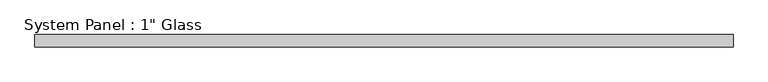
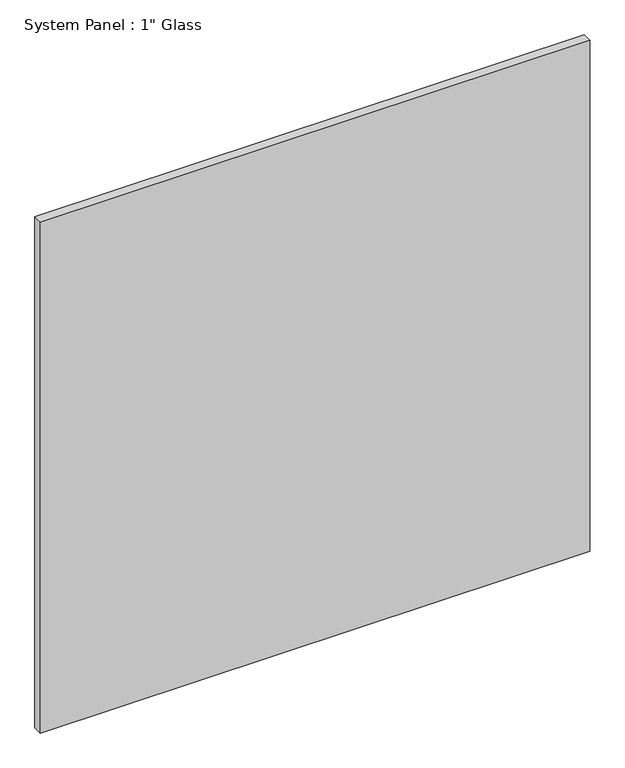
"""IFC4 building model written with IfcOpenShell, lengths in millimetres: plate geometry."""

from ifc_helpers import new_model, si_unit, origin, origin_with_axes, place, context, project, spatial, polyline, outline, extrude, source, transform, mapped, element, save


def plate_f3bad645(model_context):
    return source(origin(), model_context, "Body", "SweptSolid", [
        extrude(outline(polyline([(724.9095691, -12.7), (-724.9095691, -12.7), (-724.9095691, 12.7), (724.9095691, 12.7), (724.9095691, -12.7)])), origin_with_axes(), (0.0, 0.0, 1.0), 1424.9417704),
    ])


if __name__ == "__main__":
    model = new_model("IFC4")
    model_context = context("Model", 3, world=origin())
    ifc_project = project(units=[si_unit("LENGTHUNIT", "METRE", prefix="MILLI")], contexts=[model_context])
    site = spatial("IfcSite", under=ifc_project)
    building = spatial("IfcBuilding", under=site)
    placement = place(None, origin())
    plate_shape = plate_f3bad645(model_context)
    element("IfcPlate", 1, ObjectType="System Panel : 1\" Glass", at=placement, inside=building, context=model_context, shape_type="MappedRepresentation", body=[
        mapped(plate_shape, transform((0.0, 0.0, 0.0), x_axis=(1.0, 0.0, 0.0), y_axis=(0.0, 1.0, 0.0), z_axis=(0.0, 0.0, 1.0))),
    ])
    save(model, "model.ifc")
